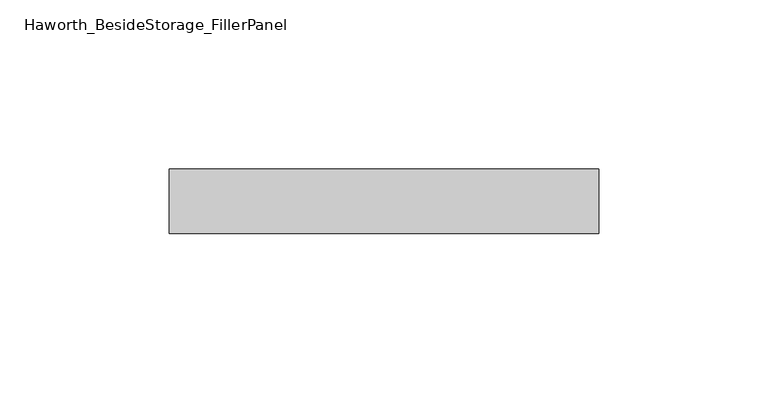
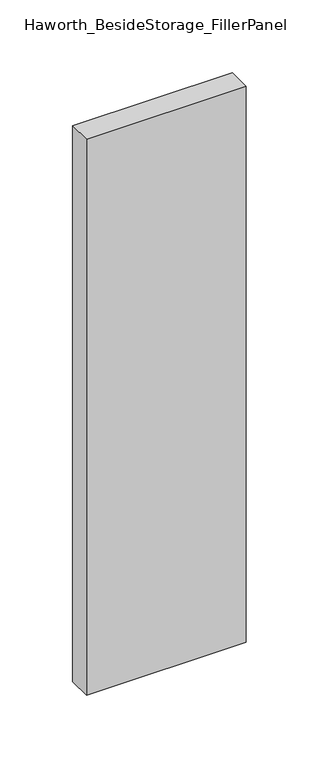
"""IFC4 building model written with IfcOpenShell, lengths in millimetres: furniture geometry, Haworth_BesideStorage_FillerPanel."""

from ifc_helpers import new_model, si_unit, frame, origin, place, context, project, spatial, polyline, outline, extrude, source, transform, mapped, element, save


def haworth_besidestorage_fillerpanel_297e6f83(model_context):
    return source(origin(), model_context, "Body", "SweptSolid", [
        extrude(outline(polyline([(365.125, 247.8645843), (365.125, 228.8145843), (238.125, 228.8145843), (238.125, 247.8645843), (365.125, 247.8645843)])), frame((0.0, 0.0, 44.45), z_axis=(0.0, 0.0, 1.0), x_axis=(1.0, 0.0, 0.0)), (0.0, 0.0, 1.0), 466.725),
    ])


if __name__ == "__main__":
    model = new_model("IFC4")
    model_context = context("Model", 3, world=origin())
    ifc_project = project(units=[si_unit("LENGTHUNIT", "METRE", prefix="MILLI")], contexts=[model_context])
    site = spatial("IfcSite", under=ifc_project)
    building = spatial("IfcBuilding", under=site)
    placement = place(None, origin())
    haworth_besidestorage_fillerpanel_shape = haworth_besidestorage_fillerpanel_297e6f83(model_context)
    element("IfcFurniture", 1, ObjectType="Haworth_BesideStorage_FillerPanel", at=placement, inside=building, context=model_context, shape_type="MappedRepresentation", body=[
        mapped(haworth_besidestorage_fillerpanel_shape, transform((0.0, 0.0, 0.0), x_axis=(1.0, 0.0, 0.0), y_axis=(0.0, 1.0, 0.0), z_axis=(0.0, 0.0, 1.0))),
    ])
    save(model, "model.ifc")
